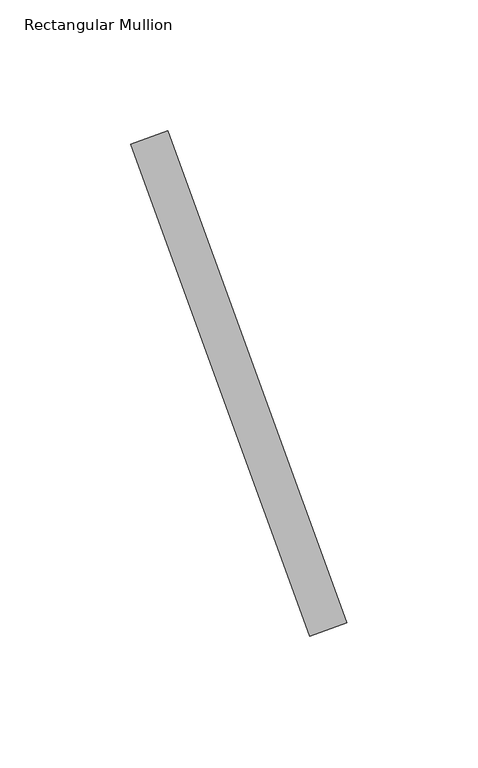
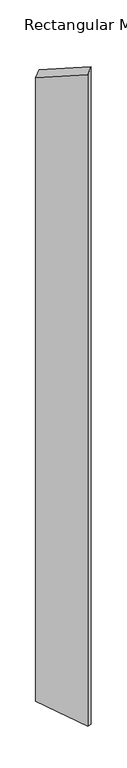
"""IFC4 building model written with IfcOpenShell, lengths in millimetres: member geometry, Rectangular Mullion."""

from ifc_helpers import new_model, si_unit, origin, place, context, project, spatial, faceted_brep, source, transform, mapped, element, save


def rectangular_mullion_267fe637(model_context):
    return source(origin(), model_context, "Body", "Brep", [
        faceted_brep([(3.0980396, -52.36886, -2223.7136439), (17.193429, -47.2385578, -2223.7136439), (85.5974576, -235.177082, -2223.7136439), (71.5020683, -240.3073841, -2223.7136439), (17.193429, -47.2385578, 25.1182201), (85.5974576, -235.177082, 125.0510175), (71.5020683, -240.3073841, 104.4587846), (3.0980396, -52.36886, 4.5259873)], [[[0, 1, 2, 3]], [[4, 5, 2, 1]], [[6, 7, 0, 3]], [[5, 6, 3, 2]], [[7, 4, 1, 0]], [[7, 6, 5, 4]]]),
    ])


if __name__ == "__main__":
    model = new_model("IFC4")
    model_context = context("Model", 3, world=origin())
    ifc_project = project(units=[si_unit("LENGTHUNIT", "METRE", prefix="MILLI")], contexts=[model_context])
    site = spatial("IfcSite", under=ifc_project)
    building = spatial("IfcBuilding", under=site)
    placement = place(None, origin())
    rectangular_mullion_shape = rectangular_mullion_267fe637(model_context)
    element("IfcMember", 1, ObjectType="Rectangular Mullion", at=placement, inside=building, context=model_context, shape_type="MappedRepresentation", body=[
        mapped(rectangular_mullion_shape, transform((0.0, 0.0, 0.0), x_axis=(1.0, 0.0, 0.0), y_axis=(0.0, 1.0, 0.0), z_axis=(0.0, 0.0, 1.0))),
    ])
    save(model, "model.ifc")
